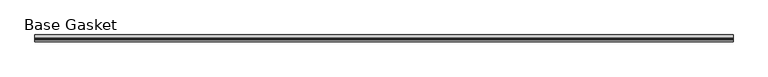
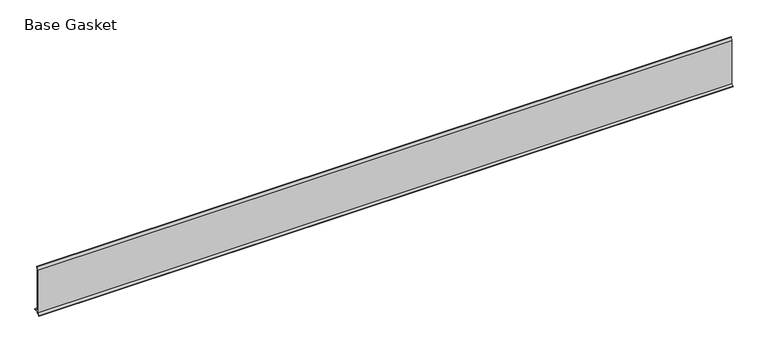
"""IFC4 building model written with IfcOpenShell, lengths in millimetres: furniture geometry, Base Gasket."""

from ifc_helpers import new_model, si_unit, frame, origin, place, context, project, spatial, polyline, outline, extrude, source, transform, mapped, element, save


def base_gasket_5462c68e(model_context):
    return source(origin(), model_context, "Body", "SweptSolid", [
        extrude(outline(polyline([(-3.7283812, 98.4568417), (-1.1891543, 104.587663), (-0.6755308, 105.2002997), (-0.6755308, 104.4162708), (-2.2043812, 98.4568417), (-2.2043812, 96.8693477), (-1.4106313, 96.8693477), (-1.4106313, 71.4693447), (-2.2043812, 71.4693447), (-2.2043812, 7.9398773), (6.2405171, 7.9398773), (6.2405171, 6.3818476), (-2.1334222, 6.3818476), (-2.2043812, 4.3498477), (-6.8281054, 0.3520979), (-7.8482342, 0.0), (-7.4222115, 0.6560174), (-3.7283812, 4.3498477), (-3.7283812, 98.4568417)])), frame((-1527.8982117, 0.0, 0.0), z_axis=(1.0, 0.0, 0.0), x_axis=(0.0, 1.0, 0.0)), (0.0, 0.0, 1.0), 1444.5530404),
    ])


if __name__ == "__main__":
    model = new_model("IFC4")
    model_context = context("Model", 3, world=origin())
    ifc_project = project(units=[si_unit("LENGTHUNIT", "METRE", prefix="MILLI")], contexts=[model_context])
    site = spatial("IfcSite", under=ifc_project)
    building = spatial("IfcBuilding", under=site)
    placement = place(None, origin())
    base_gasket_shape = base_gasket_5462c68e(model_context)
    element("IfcFurniture", 1, ObjectType="Base Gasket", at=placement, inside=building, context=model_context, shape_type="MappedRepresentation", body=[
        mapped(base_gasket_shape, transform((0.0, 0.0, 0.0), x_axis=(1.0, 0.0, 0.0), y_axis=(0.0, 1.0, 0.0), z_axis=(0.0, 0.0, 1.0))),
    ])
    save(model, "model.ifc")
